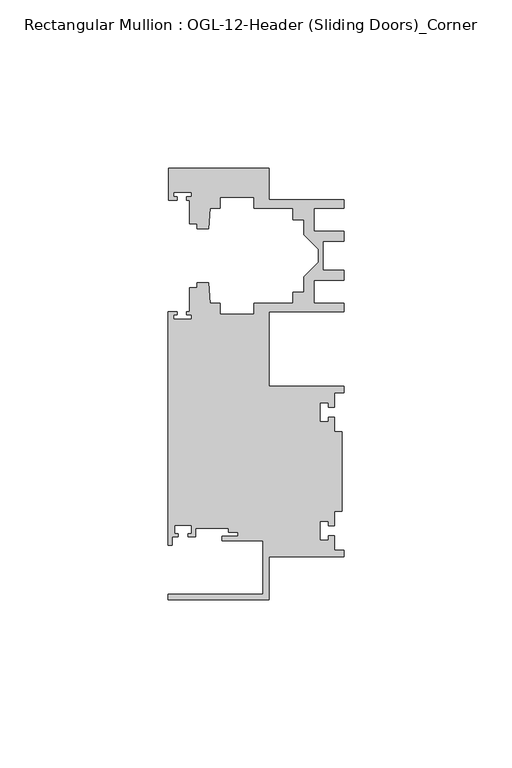
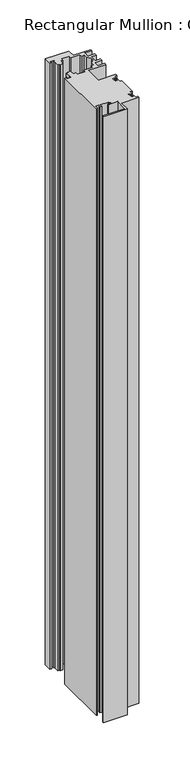
"""IFC4 building model written with IfcOpenShell, lengths in millimetres: member geometry, Rectangular Mullion : OGL-12-Header (Sliding Doors)_Corner."""

import ifcopenshell
import ifcopenshell.guid

model = None  # the IFC model being written
_history = None  # IfcOwnerHistory: only IFC2X3 demands one
_inside = {}  # id of a spatial element -> (the spatial element, [elements in it])
_under = {}  # id of a project, library or spatial element -> (it, [spatial elements below it])
_declared = {}  # id of a project -> (the project, [libraries it declares])
_typed = {}  # id of a type object -> (the type object, [elements of that type])
_made_of = {}  # id of a material, layer set ... -> (it, [elements and type objects made of it])


def new_model(schema):
    """Start an empty IFC model of exactly this schema.

    Asked for "IFC4X3", IfcOpenShell would pick the latest addendum, in which some entities
    have other attributes; the version numbers below select the first issue.
    IFC2X3 requires an IfcOwnerHistory on every rooted entity: one is made here for all.
    """
    global model, _history
    if schema == "IFC4X3":
        model = ifcopenshell.file(schema_version=(4, 3, 0, 0))
    else:
        model = ifcopenshell.file(schema=schema)
    _inside.clear()
    _under.clear()
    _declared.clear()
    _typed.clear()
    _made_of.clear()
    _history = None
    if model.schema == "IFC2X3":
        org = make("IfcOrganization", Name="unknown")
        user = make(
            "IfcPersonAndOrganization",
            ThePerson=make("IfcPerson", FamilyName="unknown"),
            TheOrganization=org,
        )
        app = make(
            "IfcApplication",
            ApplicationDeveloper=org,
            Version="unknown",
            ApplicationFullName="unknown",
            ApplicationIdentifier="unknown",
        )
        _history = make(
            "IfcOwnerHistory",
            OwningUser=user,
            OwningApplication=app,
            ChangeAction="ADDED",
            CreationDate=0,
        )
    return model


def make(cls, **values):
    """One entity of the class cls with the attributes given. An attribute that is None is left unset."""
    return model.create_entity(
        cls, **{name: value for name, value in values.items() if value is not None}
    )


def rooted(cls, **values):
    """An entity with a GlobalId (a new one), such as an element, a storey or a relation."""
    return make(cls, GlobalId=ifcopenshell.guid.new(), OwnerHistory=_history, **values)


def si_unit(unit_type, name, prefix=None):
    """IfcSIUnit, for example si_unit("LENGTHUNIT", "METRE", prefix="MILLI")."""
    return make("IfcSIUnit", UnitType=unit_type, Prefix=prefix, Name=name)


def assignment(units):
    """IfcUnitAssignment: the units of a project."""
    return None if units is None else make("IfcUnitAssignment", Units=units)


def point(xyz):
    """IfcCartesianPoint."""
    return None if xyz is None else make("IfcCartesianPoint", Coordinates=xyz)


def direction(xyz):
    """IfcDirection."""
    return None if xyz is None else make("IfcDirection", DirectionRatios=xyz)


def frame(location, z_axis=None, x_axis=None):
    """IfcAxis2Placement3D, a coordinate frame: its origin and axes. An axis left out is left unset."""
    return make(
        "IfcAxis2Placement3D",
        Location=point(location),
        Axis=direction(z_axis),
        RefDirection=direction(x_axis),
    )


def origin():
    """The frame at (0, 0, 0) with its axes left unset."""
    return frame((0.0, 0.0, 0.0))


def place(relative_to, where):
    """IfcLocalPlacement: puts the frame where relative to a parent placement (None: the world)."""
    return make(
        "IfcLocalPlacement", PlacementRelTo=relative_to, RelativePlacement=where
    )


def context(
    kind, dimensions, precision=None, world=None, true_north=None, identifier=None
):
    """IfcGeometricRepresentationContext, for example the 3D "Model" context."""
    return make(
        "IfcGeometricRepresentationContext",
        ContextIdentifier=identifier,
        ContextType=kind,
        CoordinateSpaceDimension=dimensions,
        Precision=precision,
        WorldCoordinateSystem=world,
        TrueNorth=true_north,
    )


def project(units=None, contexts=None):
    """IfcProject with its units and contexts."""
    return rooted(
        "IfcProject",
        Name="project",
        RepresentationContexts=contexts,
        UnitsInContext=assignment(units),
    )


def spatial(cls, under=None, at=None, **own):
    """A site, building, storey or space (cls), placed at a placement, below another one or the project."""
    s = rooted(cls, ObjectPlacement=at, **own)
    if under is not None:
        _under.setdefault(under.id(), (under, []))[1].append(s)
    return s


def polyline(points):
    """IfcPolyline through the points."""
    return make("IfcPolyline", Points=[point(p) for p in points])


def outline(outer, holes=None, kind="AREA"):
    """IfcArbitraryClosedProfileDef: a profile drawn as a closed curve; with holes, ...WithVoids."""
    if holes is None:
        return make("IfcArbitraryClosedProfileDef", ProfileType=kind, OuterCurve=outer)
    return make(
        "IfcArbitraryProfileDefWithVoids",
        ProfileType=kind,
        OuterCurve=outer,
        InnerCurves=holes,
    )


def extrude(swept, where, along, depth):
    """IfcExtrudedAreaSolid: the profile swept, set in the frame where, extruded along a direction by depth."""
    return make(
        "IfcExtrudedAreaSolid",
        SweptArea=swept,
        Position=where,
        ExtrudedDirection=direction(along),
        Depth=depth,
    )


def shape(context_of_items, identifier, shape_type, items):
    """IfcShapeRepresentation: the items that make up one representation, for example the "Body"."""
    return make(
        "IfcShapeRepresentation",
        ContextOfItems=context_of_items,
        RepresentationIdentifier=identifier,
        RepresentationType=shape_type,
        Items=items,
    )


def source(mapping_origin, context_of_items, identifier, shape_type, items):
    """IfcRepresentationMap: a shape defined once, which mapped items show again and again."""
    return make(
        "IfcRepresentationMap",
        MappingOrigin=mapping_origin,
        MappedRepresentation=shape(context_of_items, identifier, shape_type, items),
    )


def transform(
    local_origin,
    x_axis=None,
    y_axis=None,
    z_axis=None,
    scale=None,
    scale2=None,
    scale3=None,
    uniform=True,
):
    """IfcCartesianTransformationOperator3D, or its non-uniform kind. x_axis, y_axis, z_axis: its Axis1, 2, 3."""
    if uniform:
        return make(
            "IfcCartesianTransformationOperator3D",
            Axis1=direction(x_axis),
            Axis2=direction(y_axis),
            LocalOrigin=point(local_origin),
            Scale=scale,
            Axis3=direction(z_axis),
        )
    return make(
        "IfcCartesianTransformationOperator3DnonUniform",
        Axis1=direction(x_axis),
        Axis2=direction(y_axis),
        LocalOrigin=point(local_origin),
        Scale=scale,
        Axis3=direction(z_axis),
        Scale2=scale2,
        Scale3=scale3,
    )


def mapped(mapping_source, mapping_target):
    """IfcMappedItem: shows the shape of a source again, moved by a transform."""
    return make(
        "IfcMappedItem", MappingSource=mapping_source, MappingTarget=mapping_target
    )


def made_of(thing, what):
    """Note that an element or type object is made of a material, layer set ...; save() writes the relation."""
    if what is not None:
        _made_of.setdefault(what.id(), (what, []))[1].append(thing)
    return thing


def element(
    cls,
    number,
    at=None,
    inside=None,
    cuts=None,
    type_object=None,
    material=None,
    context=None,
    identifier="Body",
    shape_type=None,
    held_by="IfcProductDefinitionShape",
    body=None,
    shapes=None,
    **own,
):
    """One element of the class cls, such as IfcWall. Its Tag is "e" and its number.

    at: its placement. inside: the storey or other place that contains it. cuts: it is an
    opening in that element (IfcRelVoidsElement). A single representation is given by context,
    identifier, shape_type and body (its items); several are given by shapes. held_by: the class
    of the entity that holds the representations. save() writes the other relations.
    """
    e = rooted(cls, Tag="e%d" % number, ObjectPlacement=at, **own)
    if body is not None:
        shapes = [shape(context, identifier, shape_type, body)]
    if shapes is not None:
        e.Representation = make(held_by, Representations=shapes)
    if inside is not None:
        _inside.setdefault(inside.id(), (inside, []))[1].append(e)
    if cuts is not None:
        rooted(
            "IfcRelVoidsElement", RelatingBuildingElement=cuts, RelatedOpeningElement=e
        )
    if type_object is not None:
        _typed.setdefault(type_object.id(), (type_object, []))[1].append(e)
    return made_of(e, material)


def aggregate(whole, parts):
    """IfcRelAggregates: a whole, such as a stair, and the parts it consists of."""
    return rooted("IfcRelAggregates", RelatingObject=whole, RelatedObjects=parts)


def save(model, path):
    """Write the relations noted so far, then the file.

    IfcRelAggregates (storeys below a building ...), IfcRelContainedInSpatialStructure (elements
    in a storey), IfcRelDefinesByType, IfcRelAssociatesMaterial and IfcRelDeclares: one each for
    every whole, place, type object, material and project.
    """
    for whole, parts in _under.values():
        aggregate(whole, parts)
    for where, things in _inside.values():
        rooted(
            "IfcRelContainedInSpatialStructure",
            RelatedElements=things,
            RelatingStructure=where,
        )
    for kind, things in _typed.values():
        rooted("IfcRelDefinesByType", RelatedObjects=things, RelatingType=kind)
    for what, things in _made_of.values():
        rooted("IfcRelAssociatesMaterial", RelatedObjects=things, RelatingMaterial=what)
    for by, libraries in _declared.values():
        rooted("IfcRelDeclares", RelatingContext=by, RelatedDefinitions=libraries)
    model.write(path)


def rectangular_mullion_ogl_12_header_sliding_doors_corner_211b01b4(model_context):
    return source(origin(), model_context, "Body", "SweptSolid", [
        extrude(outline(polyline([(0.0, 4.7625), (-22.2332898, 4.7625), (-22.2332898, -7.9371792), (-52.3921824, -7.9371792), (-52.3921824, -6.350016), (-24.0747898, -6.350016), (-24.0747898, 9.5708266), (-36.2104247, 9.5708266), (-36.2104247, 10.8618293), (-31.5444935, 10.8618293), (-31.5444935, 12.0114739), (-34.2833684, 12.0114739), (-34.2833684, 13.2983325), (-44.1094055, 13.2983325), (-44.1094055, 10.6800725), (-46.3304245, 10.6800725), (-46.3304245, 11.6873375), (-45.359407, 11.6873375), (-45.359407, 14.1873325), (-50.359397, 14.1873325), (-50.359397, 11.6873375), (-49.3568347, 11.6873375), (-49.3568347, 10.6800725), (-51.1362531, 10.6800725), (-51.1362531, 8.1914024), (-52.3921824, 8.1914024), (-52.3921824, 77.745996), (-49.5910554, 77.745996), (-49.5910554, 76.8721046), (-50.6220715, 76.8721046), (-50.6220715, 75.4943149), (-45.3220715, 75.4943149), (-45.3220715, 76.8721046), (-46.769305, 76.8721046), (-46.769305, 77.745996), (-45.9710366, 77.745996), (-45.9710366, 84.8247994), (-43.7582575, 84.8247994), (-43.7582575, 86.375852), (-40.3395523, 86.375852), (-39.7961967, 80.1652691), (-36.8419772, 80.1652691), (-36.8419772, 77.000852), (-26.7462575, 77.000852), (-26.7462575, 80.175852), (-15.0768765, 80.175852), (-15.0768765, 83.575852), (-11.8582575, 83.575852), (-11.8582575, 88.0571468), (-7.4980859, 92.4173184), (-7.4980859, 96.2965176), (-11.8582575, 100.6566892), (-11.8582575, 105.137984), (-15.0768765, 105.137984), (-15.0768765, 108.537984), (-26.7462575, 108.537984), (-26.7462575, 111.712984), (-36.8419772, 111.712984), (-36.8419772, 108.5485669), (-39.7961967, 108.5485669), (-40.3395523, 102.337984), (-43.7582575, 102.337984), (-43.7582575, 103.9254518), (-45.9710366, 103.9254518), (-45.9710366, 110.9050364), (-46.8181909, 110.9050364), (-46.8181909, 111.8781466), (-45.3220715, 111.8781466), (-45.3220715, 113.2559363), (-50.6220715, 113.2559363), (-50.6220715, 111.8781466), (-49.5692346, 111.8781466), (-49.5692346, 110.9050364), (-52.2095715, 110.9050364), (-52.2095715, 120.4877352), (-22.2032575, 120.4877352), (-22.2032575, 111.037984), (-0.0082575, 111.037984), (-0.0082575, 108.537984), (-8.8582575, 108.537984), (-8.8582575, 101.6950565), (-0.0082575, 101.6950565), (-0.0082575, 98.6950565), (-6.1582575, 98.6950565), (-6.1582575, 90.0187795), (-0.0082575, 90.0187795), (-0.0082575, 87.0187795), (-8.8582575, 87.0187795), (-8.8582575, 80.175852), (-0.0082575, 80.175852), (-0.0082575, 77.675852), (-22.2332898, 77.675852), (-22.2332898, 55.5625), (0.0, 55.5625), (0.0, 53.650676), (-2.740223, 53.650676), (-2.740223, 49.3020859), (-4.5407068, 49.3020859), (-4.5407068, 50.6896706), (-7.0406862, 50.6896706), (-7.0406862, 44.9276725), (-4.5407047, 44.9276725), (-4.5407047, 46.3230952), (-2.740223, 46.3230952), (-2.740223, 41.9666704), (-0.508, 41.9666704), (-0.508, 18.3583296), (-2.740223, 18.3583296), (-2.740223, 14.0019048), (-4.5407047, 14.0019048), (-4.5407047, 15.3973275), (-7.0406862, 15.3973275), (-7.0406862, 9.6353294), (-4.5407068, 9.6353294), (-4.5407068, 11.0229141), (-2.740223, 11.0229141), (-2.740223, 6.674324), (0.0, 6.674324), (0.0, 4.7625)])), frame((0.0, 0.0, -816.8247194), z_axis=(0.0, 0.0, 1.0), x_axis=(1.0, 0.0, 0.0)), (0.0, 0.0, 1.0), 816.8247194),
    ])


if __name__ == "__main__":
    model = new_model("IFC4")
    model_context = context("Model", 3, world=origin())
    ifc_project = project(units=[si_unit("LENGTHUNIT", "METRE", prefix="MILLI")], contexts=[model_context])
    site = spatial("IfcSite", under=ifc_project)
    building = spatial("IfcBuilding", under=site)
    placement = place(None, origin())
    rectangular_mullion_ogl_12_header_sliding_doors_corner_shape = rectangular_mullion_ogl_12_header_sliding_doors_corner_211b01b4(model_context)
    element("IfcMember", 1, ObjectType="Rectangular Mullion : OGL-12-Header (Sliding Doors)_Corner", at=placement, inside=building, context=model_context, shape_type="MappedRepresentation", body=[
        mapped(rectangular_mullion_ogl_12_header_sliding_doors_corner_shape, transform((0.0, 0.0, 0.0), x_axis=(1.0, 0.0, 0.0), y_axis=(0.0, 1.0, 0.0), z_axis=(0.0, 0.0, 1.0))),
    ])
    save(model, "model.ifc")
